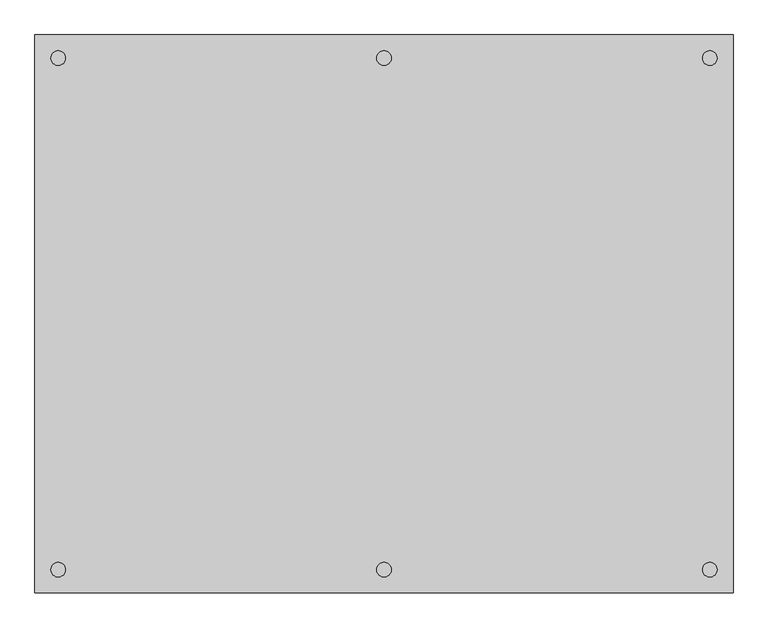
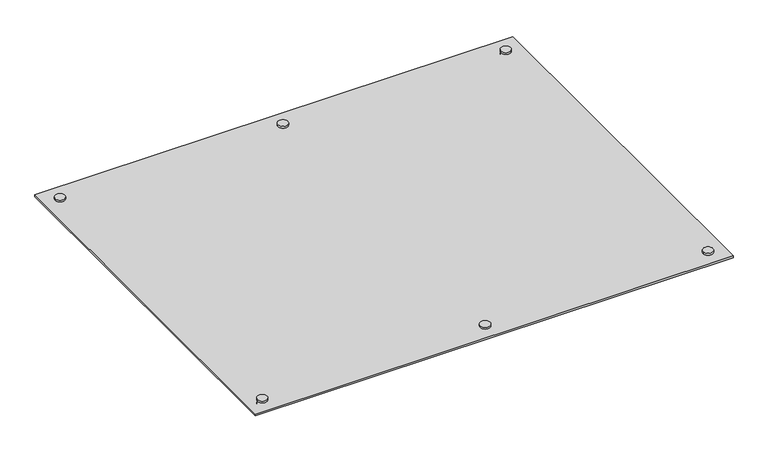
"""IFC4 building model written with IfcOpenShell, lengths in millimetres: proxy geometry."""

from ifc_helpers import new_model, si_unit, point, frame, frame_2d, origin, origin_with_axes, place, context, project, spatial, polyline, circle_curve, trimmed, segment, composite_curve, outline, extrude, source, transform, mapped, element, save


def specialty_equipment_2658ec95(model_context):
    return source(origin(), model_context, "Body", "SweptSolid", [
        extrude(outline(composite_curve([segment(trimmed(circle_curve(frame_2d((0.0, -558.8)), 15.875), [point((-15.875, -558.8))], [point((15.875, -558.8))], False, "CARTESIAN"), True, "CONTINUOUS"), segment(trimmed(circle_curve(frame_2d((0.0, -558.8)), 15.875), [point((15.875, -558.8))], [point((-15.875, -558.8))], False, "CARTESIAN"), True, "CONTINUOUS")], self_intersect=False)), frame((0.0, 0.0, 15.875), z_axis=(0.0, 0.0, 1.0), x_axis=(1.0, 0.0, 0.0)), (0.0, 0.0, 1.0), 6.35),
        extrude(outline(composite_curve([segment(trimmed(circle_curve(frame_2d((0.0, -558.8)), 15.875), [point((-15.875, -558.8))], [point((15.875, -558.8))], False, "CARTESIAN"), True, "CONTINUOUS"), segment(trimmed(circle_curve(frame_2d((0.0, -558.8)), 15.875), [point((15.875, -558.8))], [point((-15.875, -558.8))], False, "CARTESIAN"), True, "CONTINUOUS")], self_intersect=False)), origin_with_axes(), (0.0, 0.0, 1.0), 9.525),
        extrude(outline(composite_curve([segment(trimmed(circle_curve(frame_2d((711.2, -558.8)), 15.875), [point((695.325, -558.8))], [point((727.075, -558.8))], False, "CARTESIAN"), True, "CONTINUOUS"), segment(trimmed(circle_curve(frame_2d((711.2, -558.8)), 15.875), [point((727.075, -558.8))], [point((695.325, -558.8))], False, "CARTESIAN"), True, "CONTINUOUS")], self_intersect=False)), frame((0.0, 0.0, 15.875), z_axis=(0.0, 0.0, 1.0), x_axis=(1.0, 0.0, 0.0)), (0.0, 0.0, 1.0), 6.35),
        extrude(outline(composite_curve([segment(trimmed(circle_curve(frame_2d((711.2, -558.8)), 15.875), [point((695.325, -558.8))], [point((727.075, -558.8))], False, "CARTESIAN"), True, "CONTINUOUS"), segment(trimmed(circle_curve(frame_2d((711.2, -558.8)), 15.875), [point((727.075, -558.8))], [point((695.325, -558.8))], False, "CARTESIAN"), True, "CONTINUOUS")], self_intersect=False)), origin_with_axes(), (0.0, 0.0, 1.0), 9.525),
        extrude(outline(composite_curve([segment(trimmed(circle_curve(frame_2d((711.2, 558.8)), 15.875), [point((695.325, 558.8))], [point((727.075, 558.8))], False, "CARTESIAN"), True, "CONTINUOUS"), segment(trimmed(circle_curve(frame_2d((711.2, 558.8)), 15.875), [point((727.075, 558.8))], [point((695.325, 558.8))], False, "CARTESIAN"), True, "CONTINUOUS")], self_intersect=False)), frame((0.0, 0.0, 15.875), z_axis=(0.0, 0.0, 1.0), x_axis=(1.0, 0.0, 0.0)), (0.0, 0.0, 1.0), 6.35),
        extrude(outline(composite_curve([segment(trimmed(circle_curve(frame_2d((711.2, 558.8)), 15.875), [point((695.325, 558.8))], [point((727.075, 558.8))], False, "CARTESIAN"), True, "CONTINUOUS"), segment(trimmed(circle_curve(frame_2d((711.2, 558.8)), 15.875), [point((727.075, 558.8))], [point((695.325, 558.8))], False, "CARTESIAN"), True, "CONTINUOUS")], self_intersect=False)), origin_with_axes(), (0.0, 0.0, 1.0), 9.525),
        extrude(outline(composite_curve([segment(trimmed(circle_curve(frame_2d((-711.2, -558.8)), 15.875), [point((-727.075, -558.8))], [point((-695.325, -558.8))], False, "CARTESIAN"), True, "CONTINUOUS"), segment(trimmed(circle_curve(frame_2d((-711.2, -558.8)), 15.875), [point((-695.325, -558.8))], [point((-727.075, -558.8))], False, "CARTESIAN"), True, "CONTINUOUS")], self_intersect=False)), frame((0.0, 0.0, 15.875), z_axis=(0.0, 0.0, 1.0), x_axis=(1.0, 0.0, 0.0)), (0.0, 0.0, 1.0), 6.35),
        extrude(outline(composite_curve([segment(trimmed(circle_curve(frame_2d((-711.2, -558.8)), 15.875), [point((-727.075, -558.8))], [point((-695.325, -558.8))], False, "CARTESIAN"), True, "CONTINUOUS"), segment(trimmed(circle_curve(frame_2d((-711.2, -558.8)), 15.875), [point((-695.325, -558.8))], [point((-727.075, -558.8))], False, "CARTESIAN"), True, "CONTINUOUS")], self_intersect=False)), origin_with_axes(), (0.0, 0.0, 1.0), 9.525),
        extrude(outline(composite_curve([segment(trimmed(circle_curve(frame_2d((0.0, 558.8)), 15.875), [point((-15.875, 558.8))], [point((15.875, 558.8))], False, "CARTESIAN"), True, "CONTINUOUS"), segment(trimmed(circle_curve(frame_2d((0.0, 558.8)), 15.875), [point((15.875, 558.8))], [point((-15.875, 558.8))], False, "CARTESIAN"), True, "CONTINUOUS")], self_intersect=False)), frame((0.0, 0.0, 15.875), z_axis=(0.0, 0.0, 1.0), x_axis=(1.0, 0.0, 0.0)), (0.0, 0.0, 1.0), 6.35),
        extrude(outline(composite_curve([segment(trimmed(circle_curve(frame_2d((0.0, 558.8)), 15.875), [point((-15.875, 558.8))], [point((15.875, 558.8))], False, "CARTESIAN"), True, "CONTINUOUS"), segment(trimmed(circle_curve(frame_2d((0.0, 558.8)), 15.875), [point((15.875, 558.8))], [point((-15.875, 558.8))], False, "CARTESIAN"), True, "CONTINUOUS")], self_intersect=False)), origin_with_axes(), (0.0, 0.0, 1.0), 9.525),
        extrude(outline(composite_curve([segment(trimmed(circle_curve(frame_2d((-711.2, 558.8)), 15.875), [point((-727.075, 558.8))], [point((-695.325, 558.8))], False, "CARTESIAN"), True, "CONTINUOUS"), segment(trimmed(circle_curve(frame_2d((-711.2, 558.8)), 15.875), [point((-695.325, 558.8))], [point((-727.075, 558.8))], False, "CARTESIAN"), True, "CONTINUOUS")], self_intersect=False)), frame((0.0, 0.0, 15.875), z_axis=(0.0, 0.0, 1.0), x_axis=(1.0, 0.0, 0.0)), (0.0, 0.0, 1.0), 6.35),
        extrude(outline(composite_curve([segment(trimmed(circle_curve(frame_2d((-711.2, 558.8)), 15.875), [point((-727.075, 558.8))], [point((-695.325, 558.8))], False, "CARTESIAN"), True, "CONTINUOUS"), segment(trimmed(circle_curve(frame_2d((-711.2, 558.8)), 15.875), [point((-695.325, 558.8))], [point((-727.075, 558.8))], False, "CARTESIAN"), True, "CONTINUOUS")], self_intersect=False)), origin_with_axes(), (0.0, 0.0, 1.0), 9.525),
        extrude(outline(polyline([(762.0, -609.6), (-762.0, -609.6), (-762.0, 609.6), (762.0, 609.6), (762.0, -609.6)])), frame((0.0, 0.0, 9.525), z_axis=(0.0, 0.0, 1.0), x_axis=(1.0, 0.0, 0.0)), (0.0, 0.0, 1.0), 6.35),
    ])


if __name__ == "__main__":
    model = new_model("IFC4")
    model_context = context("Model", 3, world=origin())
    ifc_project = project(units=[si_unit("LENGTHUNIT", "METRE", prefix="MILLI")], contexts=[model_context])
    site = spatial("IfcSite", under=ifc_project)
    building = spatial("IfcBuilding", under=site)
    placement = place(None, origin())
    specialty_equipment_shape = specialty_equipment_2658ec95(model_context)
    element("IfcBuildingElementProxy", 1, Name="Specialty Equipment", at=placement, inside=building, context=model_context, shape_type="MappedRepresentation", body=[
        mapped(specialty_equipment_shape, transform((0.0, 0.0, 0.0), x_axis=(1.0, 0.0, 0.0), y_axis=(0.0, 1.0, 0.0), z_axis=(0.0, 0.0, 1.0))),
    ])
    save(model, "model.ifc")
